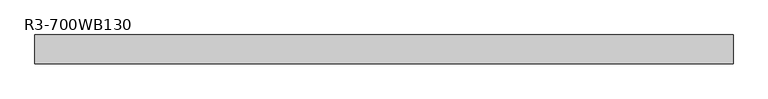
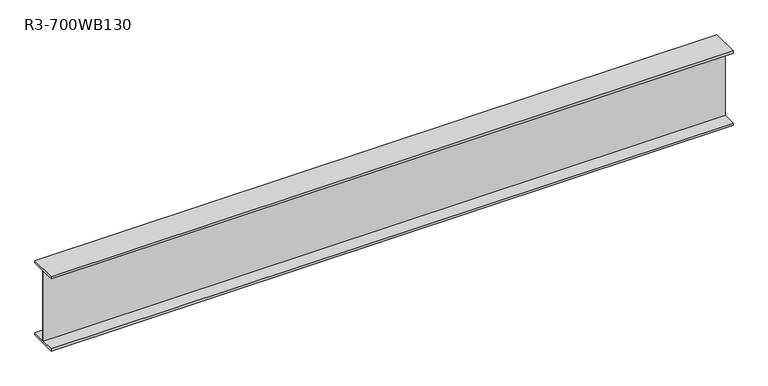
"""IFC4 building model written with IfcOpenShell, lengths in millimetres: beam geometry, R3-700WB130."""

import ifcopenshell
import ifcopenshell.guid

model = None  # the IFC model being written
_history = None  # IfcOwnerHistory: only IFC2X3 demands one
_inside = {}  # id of a spatial element -> (the spatial element, [elements in it])
_under = {}  # id of a project, library or spatial element -> (it, [spatial elements below it])
_declared = {}  # id of a project -> (the project, [libraries it declares])
_typed = {}  # id of a type object -> (the type object, [elements of that type])
_made_of = {}  # id of a material, layer set ... -> (it, [elements and type objects made of it])


def new_model(schema):
    """Start an empty IFC model of exactly this schema.

    Asked for "IFC4X3", IfcOpenShell would pick the latest addendum, in which some entities
    have other attributes; the version numbers below select the first issue.
    IFC2X3 requires an IfcOwnerHistory on every rooted entity: one is made here for all.
    """
    global model, _history
    if schema == "IFC4X3":
        model = ifcopenshell.file(schema_version=(4, 3, 0, 0))
    else:
        model = ifcopenshell.file(schema=schema)
    _inside.clear()
    _under.clear()
    _declared.clear()
    _typed.clear()
    _made_of.clear()
    _history = None
    if model.schema == "IFC2X3":
        org = make("IfcOrganization", Name="unknown")
        user = make(
            "IfcPersonAndOrganization",
            ThePerson=make("IfcPerson", FamilyName="unknown"),
            TheOrganization=org,
        )
        app = make(
            "IfcApplication",
            ApplicationDeveloper=org,
            Version="unknown",
            ApplicationFullName="unknown",
            ApplicationIdentifier="unknown",
        )
        _history = make(
            "IfcOwnerHistory",
            OwningUser=user,
            OwningApplication=app,
            ChangeAction="ADDED",
            CreationDate=0,
        )
    return model


def make(cls, **values):
    """One entity of the class cls with the attributes given. An attribute that is None is left unset."""
    return model.create_entity(
        cls, **{name: value for name, value in values.items() if value is not None}
    )


def rooted(cls, **values):
    """An entity with a GlobalId (a new one), such as an element, a storey or a relation."""
    return make(cls, GlobalId=ifcopenshell.guid.new(), OwnerHistory=_history, **values)


def si_unit(unit_type, name, prefix=None):
    """IfcSIUnit, for example si_unit("LENGTHUNIT", "METRE", prefix="MILLI")."""
    return make("IfcSIUnit", UnitType=unit_type, Prefix=prefix, Name=name)


def assignment(units):
    """IfcUnitAssignment: the units of a project."""
    return None if units is None else make("IfcUnitAssignment", Units=units)


def point(xyz):
    """IfcCartesianPoint."""
    return None if xyz is None else make("IfcCartesianPoint", Coordinates=xyz)


def direction(xyz):
    """IfcDirection."""
    return None if xyz is None else make("IfcDirection", DirectionRatios=xyz)


def frame(location, z_axis=None, x_axis=None):
    """IfcAxis2Placement3D, a coordinate frame: its origin and axes. An axis left out is left unset."""
    return make(
        "IfcAxis2Placement3D",
        Location=point(location),
        Axis=direction(z_axis),
        RefDirection=direction(x_axis),
    )


def origin():
    """The frame at (0, 0, 0) with its axes left unset."""
    return frame((0.0, 0.0, 0.0))


def place(relative_to, where):
    """IfcLocalPlacement: puts the frame where relative to a parent placement (None: the world)."""
    return make(
        "IfcLocalPlacement", PlacementRelTo=relative_to, RelativePlacement=where
    )


def context(
    kind, dimensions, precision=None, world=None, true_north=None, identifier=None
):
    """IfcGeometricRepresentationContext, for example the 3D "Model" context."""
    return make(
        "IfcGeometricRepresentationContext",
        ContextIdentifier=identifier,
        ContextType=kind,
        CoordinateSpaceDimension=dimensions,
        Precision=precision,
        WorldCoordinateSystem=world,
        TrueNorth=true_north,
    )


def project(units=None, contexts=None):
    """IfcProject with its units and contexts."""
    return rooted(
        "IfcProject",
        Name="project",
        RepresentationContexts=contexts,
        UnitsInContext=assignment(units),
    )


def spatial(cls, under=None, at=None, **own):
    """A site, building, storey or space (cls), placed at a placement, below another one or the project."""
    s = rooted(cls, ObjectPlacement=at, **own)
    if under is not None:
        _under.setdefault(under.id(), (under, []))[1].append(s)
    return s


def polyline(points):
    """IfcPolyline through the points."""
    return make("IfcPolyline", Points=[point(p) for p in points])


def outline(outer, holes=None, kind="AREA"):
    """IfcArbitraryClosedProfileDef: a profile drawn as a closed curve; with holes, ...WithVoids."""
    if holes is None:
        return make("IfcArbitraryClosedProfileDef", ProfileType=kind, OuterCurve=outer)
    return make(
        "IfcArbitraryProfileDefWithVoids",
        ProfileType=kind,
        OuterCurve=outer,
        InnerCurves=holes,
    )


def extrude(swept, where, along, depth):
    """IfcExtrudedAreaSolid: the profile swept, set in the frame where, extruded along a direction by depth."""
    return make(
        "IfcExtrudedAreaSolid",
        SweptArea=swept,
        Position=where,
        ExtrudedDirection=direction(along),
        Depth=depth,
    )


def shape(context_of_items, identifier, shape_type, items):
    """IfcShapeRepresentation: the items that make up one representation, for example the "Body"."""
    return make(
        "IfcShapeRepresentation",
        ContextOfItems=context_of_items,
        RepresentationIdentifier=identifier,
        RepresentationType=shape_type,
        Items=items,
    )


def source(mapping_origin, context_of_items, identifier, shape_type, items):
    """IfcRepresentationMap: a shape defined once, which mapped items show again and again."""
    return make(
        "IfcRepresentationMap",
        MappingOrigin=mapping_origin,
        MappedRepresentation=shape(context_of_items, identifier, shape_type, items),
    )


def transform(
    local_origin,
    x_axis=None,
    y_axis=None,
    z_axis=None,
    scale=None,
    scale2=None,
    scale3=None,
    uniform=True,
):
    """IfcCartesianTransformationOperator3D, or its non-uniform kind. x_axis, y_axis, z_axis: its Axis1, 2, 3."""
    if uniform:
        return make(
            "IfcCartesianTransformationOperator3D",
            Axis1=direction(x_axis),
            Axis2=direction(y_axis),
            LocalOrigin=point(local_origin),
            Scale=scale,
            Axis3=direction(z_axis),
        )
    return make(
        "IfcCartesianTransformationOperator3DnonUniform",
        Axis1=direction(x_axis),
        Axis2=direction(y_axis),
        LocalOrigin=point(local_origin),
        Scale=scale,
        Axis3=direction(z_axis),
        Scale2=scale2,
        Scale3=scale3,
    )


def mapped(mapping_source, mapping_target):
    """IfcMappedItem: shows the shape of a source again, moved by a transform."""
    return make(
        "IfcMappedItem", MappingSource=mapping_source, MappingTarget=mapping_target
    )


def made_of(thing, what):
    """Note that an element or type object is made of a material, layer set ...; save() writes the relation."""
    if what is not None:
        _made_of.setdefault(what.id(), (what, []))[1].append(thing)
    return thing


def element(
    cls,
    number,
    at=None,
    inside=None,
    cuts=None,
    type_object=None,
    material=None,
    context=None,
    identifier="Body",
    shape_type=None,
    held_by="IfcProductDefinitionShape",
    body=None,
    shapes=None,
    **own,
):
    """One element of the class cls, such as IfcWall. Its Tag is "e" and its number.

    at: its placement. inside: the storey or other place that contains it. cuts: it is an
    opening in that element (IfcRelVoidsElement). A single representation is given by context,
    identifier, shape_type and body (its items); several are given by shapes. held_by: the class
    of the entity that holds the representations. save() writes the other relations.
    """
    e = rooted(cls, Tag="e%d" % number, ObjectPlacement=at, **own)
    if body is not None:
        shapes = [shape(context, identifier, shape_type, body)]
    if shapes is not None:
        e.Representation = make(held_by, Representations=shapes)
    if inside is not None:
        _inside.setdefault(inside.id(), (inside, []))[1].append(e)
    if cuts is not None:
        rooted(
            "IfcRelVoidsElement", RelatingBuildingElement=cuts, RelatedOpeningElement=e
        )
    if type_object is not None:
        _typed.setdefault(type_object.id(), (type_object, []))[1].append(e)
    return made_of(e, material)


def aggregate(whole, parts):
    """IfcRelAggregates: a whole, such as a stair, and the parts it consists of."""
    return rooted("IfcRelAggregates", RelatingObject=whole, RelatedObjects=parts)


def save(model, path):
    """Write the relations noted so far, then the file.

    IfcRelAggregates (storeys below a building ...), IfcRelContainedInSpatialStructure (elements
    in a storey), IfcRelDefinesByType, IfcRelAssociatesMaterial and IfcRelDeclares: one each for
    every whole, place, type object, material and project.
    """
    for whole, parts in _under.values():
        aggregate(whole, parts)
    for where, things in _inside.values():
        rooted(
            "IfcRelContainedInSpatialStructure",
            RelatedElements=things,
            RelatingStructure=where,
        )
    for kind, things in _typed.values():
        rooted("IfcRelDefinesByType", RelatedObjects=things, RelatingType=kind)
    for what, things in _made_of.values():
        rooted("IfcRelAssociatesMaterial", RelatedObjects=things, RelatingMaterial=what)
    for by, libraries in _declared.values():
        rooted("IfcRelDeclares", RelatingContext=by, RelatedDefinitions=libraries)
    model.write(path)


def r3_700wb130_6b5f1947(model_context):
    return source(origin(), model_context, "Body", "SweptSolid", [
        extrude(outline(polyline([(125.0, -330.0), (125.0, -350.0), (-125.0, -350.0), (-125.0, -330.0), (-5.0, -330.0), (-5.0, 330.0), (-125.0, 330.0), (-125.0, 350.0), (125.0, 350.0), (125.0, 330.0), (5.0, 330.0), (5.0, -330.0), (125.0, -330.0)])), frame((-3068.0, 0.0, 0.0), z_axis=(1.0, 0.0, 0.0), x_axis=(0.0, 1.0, 0.0)), (0.0, 0.0, 1.0), 6087.0),
    ])


if __name__ == "__main__":
    model = new_model("IFC4")
    model_context = context("Model", 3, world=origin())
    ifc_project = project(units=[si_unit("LENGTHUNIT", "METRE", prefix="MILLI")], contexts=[model_context])
    site = spatial("IfcSite", under=ifc_project)
    building = spatial("IfcBuilding", under=site)
    placement = place(None, origin())
    r3_700wb130_shape = r3_700wb130_6b5f1947(model_context)
    element("IfcBeam", 1, ObjectType="R3-700WB130", at=placement, inside=building, context=model_context, shape_type="MappedRepresentation", body=[
        mapped(r3_700wb130_shape, transform((0.0, 0.0, 0.0), x_axis=(1.0, 0.0, 0.0), y_axis=(0.0, 1.0, 0.0), z_axis=(0.0, 0.0, 1.0))),
    ])
    save(model, "model.ifc")
